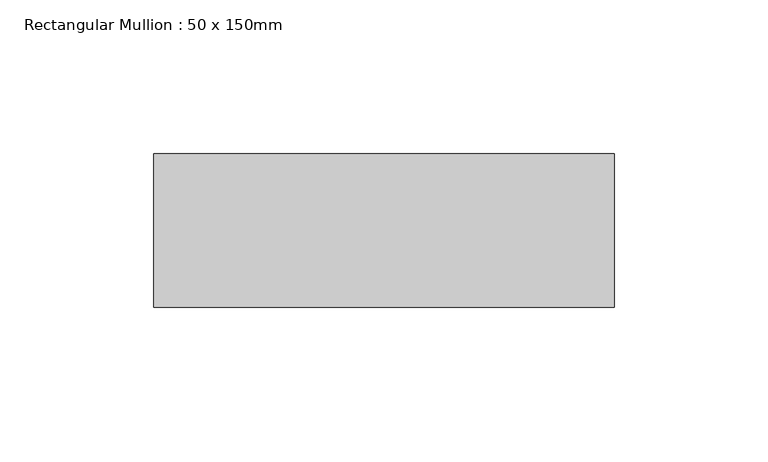
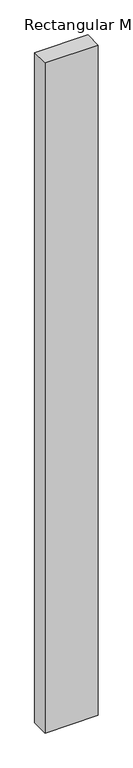
"""IFC4 building model written with IfcOpenShell, lengths in millimetres: member geometry, Rectangular Mullion : 50 x 150mm."""

from ifc_helpers import new_model, si_unit, frame, origin, place, context, project, spatial, polyline, outline, extrude, source, transform, mapped, element, save


def rectangular_mullion_50_x_150mm_09a4c299(model_context):
    return source(origin(), model_context, "Body", "SweptSolid", [
        extrude(outline(polyline([(150.0, 50.0), (150.0, 0.0), (0.0, 0.0), (0.0, 50.0), (150.0, 50.0)])), frame((0.0, 0.0, -2000.0), z_axis=(0.0, 0.0, 1.0), x_axis=(1.0, 0.0, 0.0)), (0.0, 0.0, 1.0), 2000.0),
    ])


if __name__ == "__main__":
    model = new_model("IFC4")
    model_context = context("Model", 3, world=origin())
    ifc_project = project(units=[si_unit("LENGTHUNIT", "METRE", prefix="MILLI")], contexts=[model_context])
    site = spatial("IfcSite", under=ifc_project)
    building = spatial("IfcBuilding", under=site)
    placement = place(None, origin())
    rectangular_mullion_50_x_150mm_shape = rectangular_mullion_50_x_150mm_09a4c299(model_context)
    element("IfcMember", 1, ObjectType="Rectangular Mullion : 50 x 150mm", at=placement, inside=building, context=model_context, shape_type="MappedRepresentation", body=[
        mapped(rectangular_mullion_50_x_150mm_shape, transform((0.0, 0.0, 0.0), x_axis=(1.0, 0.0, 0.0), y_axis=(0.0, 1.0, 0.0), z_axis=(0.0, 0.0, 1.0))),
    ])
    save(model, "model.ifc")
